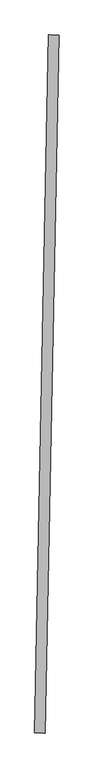
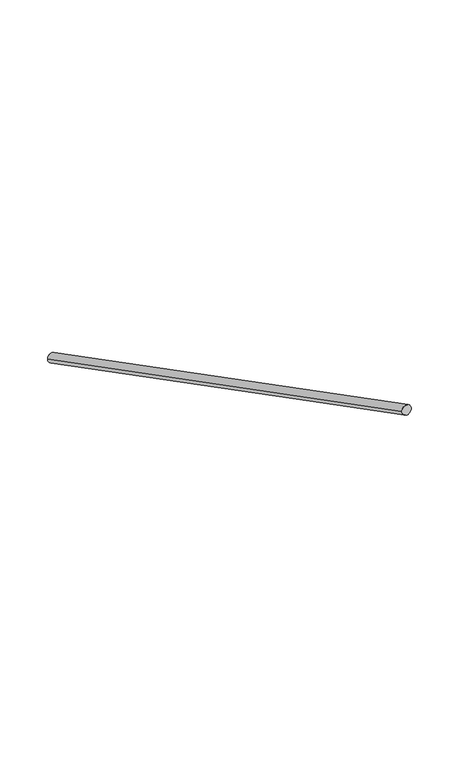
"""IFC4 building model written with IfcOpenShell, lengths in millimetres: railing geometry."""

import ifcopenshell
import ifcopenshell.guid

model = None  # the IFC model being written
_history = None  # IfcOwnerHistory: only IFC2X3 demands one
_inside = {}  # id of a spatial element -> (the spatial element, [elements in it])
_under = {}  # id of a project, library or spatial element -> (it, [spatial elements below it])
_declared = {}  # id of a project -> (the project, [libraries it declares])
_typed = {}  # id of a type object -> (the type object, [elements of that type])
_made_of = {}  # id of a material, layer set ... -> (it, [elements and type objects made of it])


def new_model(schema):
    """Start an empty IFC model of exactly this schema.

    Asked for "IFC4X3", IfcOpenShell would pick the latest addendum, in which some entities
    have other attributes; the version numbers below select the first issue.
    IFC2X3 requires an IfcOwnerHistory on every rooted entity: one is made here for all.
    """
    global model, _history
    if schema == "IFC4X3":
        model = ifcopenshell.file(schema_version=(4, 3, 0, 0))
    else:
        model = ifcopenshell.file(schema=schema)
    _inside.clear()
    _under.clear()
    _declared.clear()
    _typed.clear()
    _made_of.clear()
    _history = None
    if model.schema == "IFC2X3":
        org = make("IfcOrganization", Name="unknown")
        user = make(
            "IfcPersonAndOrganization",
            ThePerson=make("IfcPerson", FamilyName="unknown"),
            TheOrganization=org,
        )
        app = make(
            "IfcApplication",
            ApplicationDeveloper=org,
            Version="unknown",
            ApplicationFullName="unknown",
            ApplicationIdentifier="unknown",
        )
        _history = make(
            "IfcOwnerHistory",
            OwningUser=user,
            OwningApplication=app,
            ChangeAction="ADDED",
            CreationDate=0,
        )
    return model


def make(cls, **values):
    """One entity of the class cls with the attributes given. An attribute that is None is left unset."""
    return model.create_entity(
        cls, **{name: value for name, value in values.items() if value is not None}
    )


def rooted(cls, **values):
    """An entity with a GlobalId (a new one), such as an element, a storey or a relation."""
    return make(cls, GlobalId=ifcopenshell.guid.new(), OwnerHistory=_history, **values)


def si_unit(unit_type, name, prefix=None):
    """IfcSIUnit, for example si_unit("LENGTHUNIT", "METRE", prefix="MILLI")."""
    return make("IfcSIUnit", UnitType=unit_type, Prefix=prefix, Name=name)


def assignment(units):
    """IfcUnitAssignment: the units of a project."""
    return None if units is None else make("IfcUnitAssignment", Units=units)


def point(xyz):
    """IfcCartesianPoint."""
    return None if xyz is None else make("IfcCartesianPoint", Coordinates=xyz)


def direction(xyz):
    """IfcDirection."""
    return None if xyz is None else make("IfcDirection", DirectionRatios=xyz)


def frame(location, z_axis=None, x_axis=None):
    """IfcAxis2Placement3D, a coordinate frame: its origin and axes. An axis left out is left unset."""
    return make(
        "IfcAxis2Placement3D",
        Location=point(location),
        Axis=direction(z_axis),
        RefDirection=direction(x_axis),
    )


def origin():
    """The frame at (0, 0, 0) with its axes left unset."""
    return frame((0.0, 0.0, 0.0))


def place(relative_to, where):
    """IfcLocalPlacement: puts the frame where relative to a parent placement (None: the world)."""
    return make(
        "IfcLocalPlacement", PlacementRelTo=relative_to, RelativePlacement=where
    )


def context(
    kind, dimensions, precision=None, world=None, true_north=None, identifier=None
):
    """IfcGeometricRepresentationContext, for example the 3D "Model" context."""
    return make(
        "IfcGeometricRepresentationContext",
        ContextIdentifier=identifier,
        ContextType=kind,
        CoordinateSpaceDimension=dimensions,
        Precision=precision,
        WorldCoordinateSystem=world,
        TrueNorth=true_north,
    )


def project(units=None, contexts=None):
    """IfcProject with its units and contexts."""
    return rooted(
        "IfcProject",
        Name="project",
        RepresentationContexts=contexts,
        UnitsInContext=assignment(units),
    )


def spatial(cls, under=None, at=None, **own):
    """A site, building, storey or space (cls), placed at a placement, below another one or the project."""
    s = rooted(cls, ObjectPlacement=at, **own)
    if under is not None:
        _under.setdefault(under.id(), (under, []))[1].append(s)
    return s


def ellipse_curve(where, semi_axis1, semi_axis2):
    """IfcEllipse in the frame where."""
    return make(
        "IfcEllipse", Position=where, SemiAxis1=semi_axis1, SemiAxis2=semi_axis2
    )


def shape(context_of_items, identifier, shape_type, items):
    """IfcShapeRepresentation: the items that make up one representation, for example the "Body"."""
    return make(
        "IfcShapeRepresentation",
        ContextOfItems=context_of_items,
        RepresentationIdentifier=identifier,
        RepresentationType=shape_type,
        Items=items,
    )


def source(mapping_origin, context_of_items, identifier, shape_type, items):
    """IfcRepresentationMap: a shape defined once, which mapped items show again and again."""
    return make(
        "IfcRepresentationMap",
        MappingOrigin=mapping_origin,
        MappedRepresentation=shape(context_of_items, identifier, shape_type, items),
    )


def transform(
    local_origin,
    x_axis=None,
    y_axis=None,
    z_axis=None,
    scale=None,
    scale2=None,
    scale3=None,
    uniform=True,
):
    """IfcCartesianTransformationOperator3D, or its non-uniform kind. x_axis, y_axis, z_axis: its Axis1, 2, 3."""
    if uniform:
        return make(
            "IfcCartesianTransformationOperator3D",
            Axis1=direction(x_axis),
            Axis2=direction(y_axis),
            LocalOrigin=point(local_origin),
            Scale=scale,
            Axis3=direction(z_axis),
        )
    return make(
        "IfcCartesianTransformationOperator3DnonUniform",
        Axis1=direction(x_axis),
        Axis2=direction(y_axis),
        LocalOrigin=point(local_origin),
        Scale=scale,
        Axis3=direction(z_axis),
        Scale2=scale2,
        Scale3=scale3,
    )


def mapped(mapping_source, mapping_target):
    """IfcMappedItem: shows the shape of a source again, moved by a transform."""
    return make(
        "IfcMappedItem", MappingSource=mapping_source, MappingTarget=mapping_target
    )


def made_of(thing, what):
    """Note that an element or type object is made of a material, layer set ...; save() writes the relation."""
    if what is not None:
        _made_of.setdefault(what.id(), (what, []))[1].append(thing)
    return thing


def element(
    cls,
    number,
    at=None,
    inside=None,
    cuts=None,
    type_object=None,
    material=None,
    context=None,
    identifier="Body",
    shape_type=None,
    held_by="IfcProductDefinitionShape",
    body=None,
    shapes=None,
    **own,
):
    """One element of the class cls, such as IfcWall. Its Tag is "e" and its number.

    at: its placement. inside: the storey or other place that contains it. cuts: it is an
    opening in that element (IfcRelVoidsElement). A single representation is given by context,
    identifier, shape_type and body (its items); several are given by shapes. held_by: the class
    of the entity that holds the representations. save() writes the other relations.
    """
    e = rooted(cls, Tag="e%d" % number, ObjectPlacement=at, **own)
    if body is not None:
        shapes = [shape(context, identifier, shape_type, body)]
    if shapes is not None:
        e.Representation = make(held_by, Representations=shapes)
    if inside is not None:
        _inside.setdefault(inside.id(), (inside, []))[1].append(e)
    if cuts is not None:
        rooted(
            "IfcRelVoidsElement", RelatingBuildingElement=cuts, RelatedOpeningElement=e
        )
    if type_object is not None:
        _typed.setdefault(type_object.id(), (type_object, []))[1].append(e)
    return made_of(e, material)


def aggregate(whole, parts):
    """IfcRelAggregates: a whole, such as a stair, and the parts it consists of."""
    return rooted("IfcRelAggregates", RelatingObject=whole, RelatedObjects=parts)


def save(model, path):
    """Write the relations noted so far, then the file.

    IfcRelAggregates (storeys below a building ...), IfcRelContainedInSpatialStructure (elements
    in a storey), IfcRelDefinesByType, IfcRelAssociatesMaterial and IfcRelDeclares: one each for
    every whole, place, type object, material and project.
    """
    for whole, parts in _under.values():
        aggregate(whole, parts)
    for where, things in _inside.values():
        rooted(
            "IfcRelContainedInSpatialStructure",
            RelatedElements=things,
            RelatingStructure=where,
        )
    for kind, things in _typed.values():
        rooted("IfcRelDefinesByType", RelatedObjects=things, RelatingType=kind)
    for what, things in _made_of.values():
        rooted("IfcRelAssociatesMaterial", RelatedObjects=things, RelatingMaterial=what)
    for by, libraries in _declared.values():
        rooted("IfcRelDeclares", RelatingContext=by, RelatedDefinitions=libraries)
    model.write(path)


def plane_surface(at):
    """IfcPlane: the flat surface through the origin of the frame at, square to its z axis."""
    return make("IfcPlane", Position=at)


def cylinder_surface(at, radius):
    """IfcCylindricalSurface: all points at the distance radius from the z axis of the frame at."""
    return make("IfcCylindricalSurface", Position=at, Radius=radius)


def advanced_brep(points, edges, surfaces, faces):
    """IfcAdvancedBrep: a solid bounded by faces that lie on surfaces and meet in shared edges.

    An edge is (start, end): straight between two places in points (the first is 0);
    or (start, end, curve); or (start, end, curve, False) where it runs against its curve.
    A face is (place in surfaces, loops), or (place, loops, False) where it looks against
    its surface's normal. A loop lists edges by number (the first is 1), with a minus sign
    where the edge is run from its end to its start. The first loop is the outer one.
    """
    corners = [point(p) for p in points]
    vertices = [make("IfcVertexPoint", VertexGeometry=c) for c in corners]
    made = []
    for start, end, *more in edges:
        made.append(
            make(
                "IfcEdgeCurve",
                EdgeStart=vertices[start],
                EdgeEnd=vertices[end],
                EdgeGeometry=more[0] if more else make("IfcPolyline", Points=[corners[start], corners[end]]),
                SameSense=more[1] if len(more) > 1 else True,
            )
        )
    hull = []
    for where, loops, *sense in faces:
        bounds = []
        for j, loop in enumerate(loops):
            ring = [make("IfcOrientedEdge", EdgeElement=made[abs(k) - 1], Orientation=k > 0) for k in loop]
            bounds.append(
                make(
                    "IfcFaceOuterBound" if j == 0 else "IfcFaceBound",
                    Bound=make("IfcEdgeLoop", EdgeList=ring),
                    Orientation=True,
                )
            )
        hull.append(make("IfcAdvancedFace", Bounds=bounds, FaceSurface=surfaces[where], SameSense=sense[0] if sense else True))
    return make("IfcAdvancedBrep", Outer=make("IfcClosedShell", CfsFaces=hull))


def railing_f8aa97e4(model_context):
    return source(origin(), model_context, "Body", "AdvancedBrep", [
        advanced_brep(
        [(2253.8085079, -36468.6517737, -2876.5470298), (2293.800593, -36469.4474695, -2876.5470298), (2200.1162677, -39167.2517737, -1456.5), (2240.1083528, -39168.0474695, -1456.5)],
        [
            (0, 1, ellipse_curve(frame((2273.8045504, -36469.0496216, -2876.5470298), z_axis=(0.019892394532034972, 0.9998021267429781, 0.0), x_axis=(0.0, 0.0, -1.0)), 22.5990612, 20.0)),
            (1, 0, ellipse_curve(frame((2273.8045504, -36469.0496216, -2876.5470298), z_axis=(0.019892394532034972, 0.9998021267429781, 0.0), x_axis=(0.0, 0.0, -1.0)), 22.5990612, 20.0)),
            (2, 3, ellipse_curve(frame((2220.1123103, -39167.6496216, -1456.5), z_axis=(-0.019892394532034972, -0.9998021267429781, 0.0), x_axis=(0.0, 0.0, -1.0)), 22.5990612, 20.0)),
            (3, 2, ellipse_curve(frame((2220.1123103, -39167.6496216, -1456.5), z_axis=(-0.019892394532034972, -0.9998021267429781, 0.0), x_axis=(0.0, 0.0, -1.0)), 22.5990612, 20.0)),
            (0, 2),
            (3, 1),
        ],
        [
            plane_surface(frame((2273.8045504, -36469.0496216, -2876.5470298), z_axis=(0.019892394532034972, 0.9998021267429781, 0.0), x_axis=(0.9998021267429781, -0.019892394532034972, 0.0))),
            plane_surface(frame((2220.1123103, -39167.6496216, -1456.5), z_axis=(-0.019892394532034972, -0.9998021267429781, 0.0), x_axis=(0.9998021267429781, -0.019892394532034972, 0.0))),
            cylinder_surface(frame((2273.8045504, -36469.0496216, -2876.5470298), z_axis=(0.017604620289083155, 0.8848173997948218, -0.46560524735531933), x_axis=(0.9998021267429781, -0.019892394532034976, 0.0)), 20.0),
        ],
        [
            (0, [[1, 2]]),
            (1, [[3, 4]]),
            (2, [[-1, 5, -4, 6]]),
            (2, [[-2, -6, -3, -5]]),
        ],
    ),
    ])


if __name__ == "__main__":
    model = new_model("IFC4")
    model_context = context("Model", 3, world=origin())
    ifc_project = project(units=[si_unit("LENGTHUNIT", "METRE", prefix="MILLI")], contexts=[model_context])
    site = spatial("IfcSite", under=ifc_project)
    building = spatial("IfcBuilding", under=site)
    placement = place(None, origin())
    railing_shape = railing_f8aa97e4(model_context)
    element("IfcRailing", 1, at=placement, inside=building, context=model_context, shape_type="MappedRepresentation", body=[
        mapped(railing_shape, transform((0.0, 0.0, 0.0), x_axis=(1.0, 0.0, 0.0), y_axis=(0.0, 1.0, 0.0), z_axis=(0.0, 0.0, 1.0))),
    ])
    save(model, "model.ifc")
